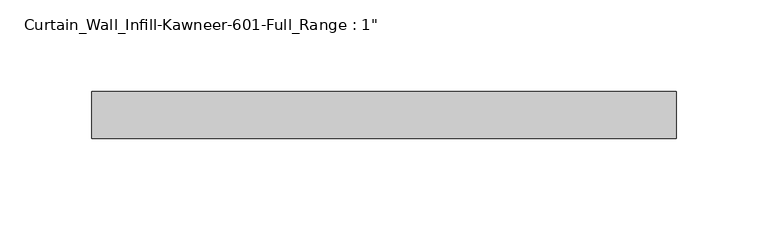
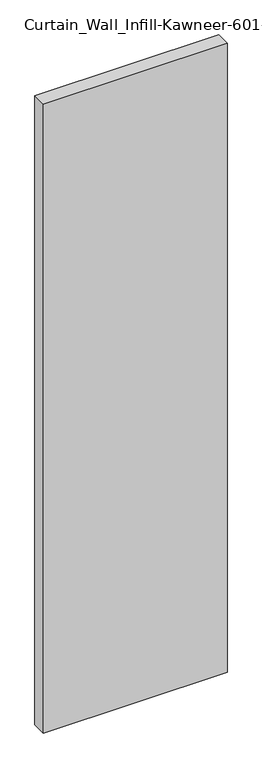
"""IFC4 building model written with IfcOpenShell, lengths in millimetres: plate geometry."""

from ifc_helpers import new_model, si_unit, origin, origin_with_axes, place, context, project, spatial, polyline, outline, extrude, source, transform, mapped, element, save


def plate_8e1e2c3e(model_context):
    return source(origin(), model_context, "Body", "SweptSolid", [
        extrude(outline(polyline([(-158.75, 12.7), (158.75, 12.7), (158.75, -12.7), (-158.75, -12.7), (-158.75, 12.7)])), origin_with_axes(), (0.0, 0.0, 1.0), 1149.35),
    ])


if __name__ == "__main__":
    model = new_model("IFC4")
    model_context = context("Model", 3, world=origin())
    ifc_project = project(units=[si_unit("LENGTHUNIT", "METRE", prefix="MILLI")], contexts=[model_context])
    site = spatial("IfcSite", under=ifc_project)
    building = spatial("IfcBuilding", under=site)
    placement = place(None, origin())
    plate_shape = plate_8e1e2c3e(model_context)
    element("IfcPlate", 1, ObjectType="Curtain_Wall_Infill-Kawneer-601-Full_Range : 1\"", at=placement, inside=building, context=model_context, shape_type="MappedRepresentation", body=[
        mapped(plate_shape, transform((0.0, 0.0, 0.0), x_axis=(1.0, 0.0, 0.0), y_axis=(0.0, 1.0, 0.0), z_axis=(0.0, 0.0, 1.0))),
    ])
    save(model, "model.ifc")
